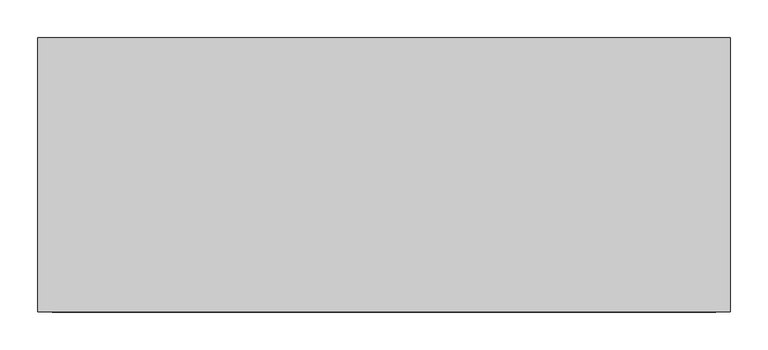
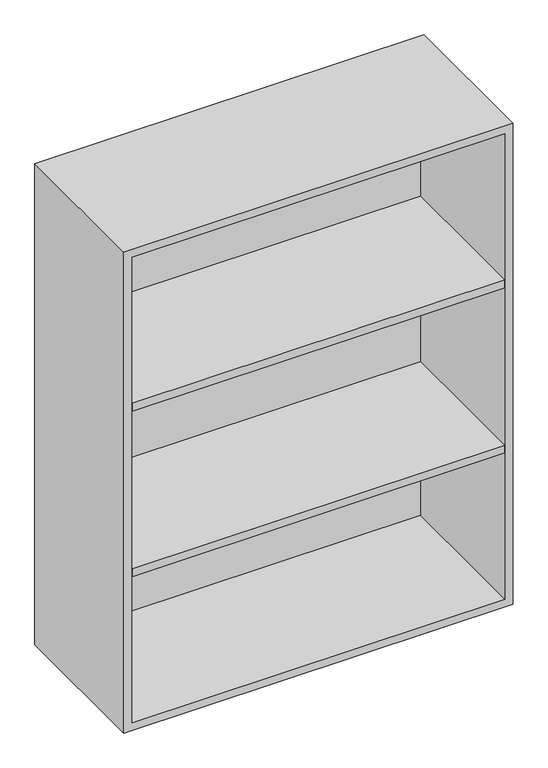
"""IFC4 building model written with IfcOpenShell, lengths in millimetres: furniture geometry."""

from ifc_helpers import new_model, si_unit, frame, origin, place, context, project, spatial, polyline, outline, extrude, source, transform, mapped, element, save


def furniture_187bf73a(model_context):
    return source(origin(), model_context, "Body", "SweptSolid", [
        extrude(outline(polyline([(438.1569453, 161.925), (438.1569453, -180.975), (-438.1291641, -180.975), (-438.1291641, 161.925), (438.1569453, 161.925)])), frame((0.0, 0.0, 1529.2916667), z_axis=(0.0, 0.0, 1.0), x_axis=(1.0, 0.0, 0.0)), (0.0, 0.0, 1.0), 19.05),
        extrude(outline(polyline([(438.1569453, 161.925), (438.1569453, -180.975), (-438.1291641, -180.975), (-438.1291641, 161.925), (438.1569453, 161.925)])), frame((0.0, 0.0, 1118.6583333), z_axis=(0.0, 0.0, 1.0), x_axis=(1.0, 0.0, 0.0)), (0.0, 0.0, 1.0), 19.05),
        extrude(outline(polyline([(736.6, -457.1861094), (736.6, 457.2138906), (1930.4, 457.2138906), (1930.4, -457.1861094), (736.6, -457.1861094)]), holes=[polyline([(755.65, -438.1361094), (1911.35, -438.1361094), (1911.35, 438.1569453), (755.65, 438.1569453), (755.65, -438.1361094)])]), frame((0.0, -180.975, 0.0), z_axis=(0.0, 1.0, 0.0), x_axis=(0.0, 0.0, 1.0)), (0.0, 0.0, 1.0), 361.95),
        extrude(outline(polyline([(-438.1291641, 161.925), (-438.1291641, 180.975), (438.1569453, 180.975), (438.1569453, 161.925), (-438.1291641, 161.925)])), frame((0.0, 0.0, 755.65), z_axis=(0.0, 0.0, 1.0), x_axis=(1.0, 0.0, 0.0)), (0.0, 0.0, 1.0), 1155.7),
    ])


if __name__ == "__main__":
    model = new_model("IFC4")
    model_context = context("Model", 3, world=origin())
    ifc_project = project(units=[si_unit("LENGTHUNIT", "METRE", prefix="MILLI")], contexts=[model_context])
    site = spatial("IfcSite", under=ifc_project)
    building = spatial("IfcBuilding", under=site)
    placement = place(None, origin())
    furniture_shape = furniture_187bf73a(model_context)
    element("IfcFurniture", 1, at=placement, inside=building, context=model_context, shape_type="MappedRepresentation", body=[
        mapped(furniture_shape, transform((0.0, 0.0, 0.0), x_axis=(1.0, 0.0, 0.0), y_axis=(0.0, 1.0, 0.0), z_axis=(0.0, 0.0, 1.0))),
    ])
    save(model, "model.ifc")
